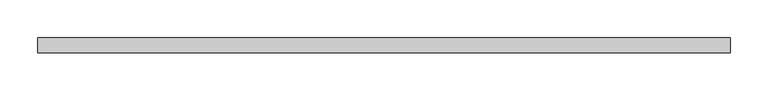
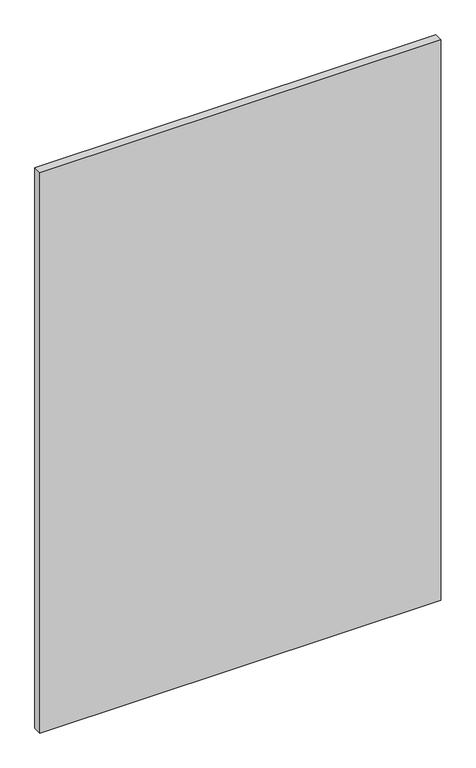
"""IFC4 building model written with IfcOpenShell, lengths in millimetres: plate geometry."""

from ifc_helpers import new_model, si_unit, origin, origin_with_axes, place, context, project, spatial, polyline, outline, extrude, source, transform, mapped, element, save


def plate_004ed4be(model_context):
    return source(origin(), model_context, "Body", "SweptSolid", [
        extrude(outline(polyline([(460.0, 20.0), (-460.0, 20.0), (-460.0, 40.0), (460.0, 40.0), (460.0, 20.0)])), origin_with_axes(), (0.0, 0.0, 1.0), 1360.0),
    ])


if __name__ == "__main__":
    model = new_model("IFC4")
    model_context = context("Model", 3, world=origin())
    ifc_project = project(units=[si_unit("LENGTHUNIT", "METRE", prefix="MILLI")], contexts=[model_context])
    site = spatial("IfcSite", under=ifc_project)
    building = spatial("IfcBuilding", under=site)
    placement = place(None, origin())
    plate_shape = plate_004ed4be(model_context)
    element("IfcPlate", 1, at=placement, inside=building, context=model_context, shape_type="MappedRepresentation", body=[
        mapped(plate_shape, transform((0.0, 0.0, 0.0), x_axis=(1.0, 0.0, 0.0), y_axis=(0.0, 1.0, 0.0), z_axis=(0.0, 0.0, 1.0))),
    ])
    save(model, "model.ifc")
